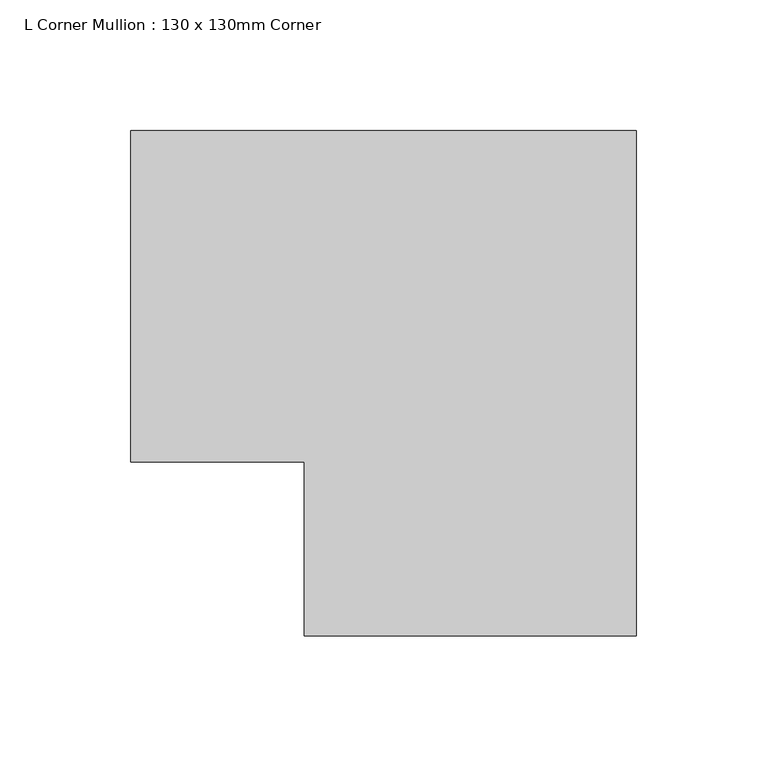
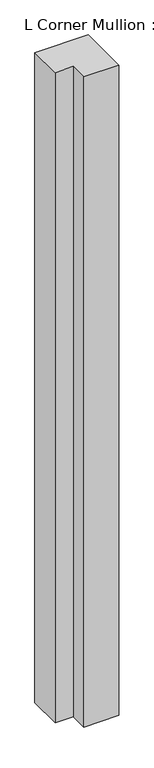
"""IFC4 building model written with IfcOpenShell, lengths in millimetres: member geometry, L Corner Mullion : 130 x 130mm Corner."""

from ifc_helpers import new_model, si_unit, frame, origin, place, context, project, spatial, polyline, outline, extrude, source, transform, mapped, element, save


def l_corner_mullion_130_x_130mm_corner_adbbe95d(model_context):
    return source(origin(), model_context, "Body", "SweptSolid", [
        extrude(outline(polyline([(-63.5, -130.0), (-63.5, -63.5), (-130.0, -63.5), (-130.0, 63.5), (63.5, 63.5), (63.5, -130.0), (-63.5, -130.0)])), frame((0.0, 0.0, -2500.0), z_axis=(0.0, 0.0, 1.0), x_axis=(1.0, 0.0, 0.0)), (0.0, 0.0, 1.0), 2500.0),
    ])


if __name__ == "__main__":
    model = new_model("IFC4")
    model_context = context("Model", 3, world=origin())
    ifc_project = project(units=[si_unit("LENGTHUNIT", "METRE", prefix="MILLI")], contexts=[model_context])
    site = spatial("IfcSite", under=ifc_project)
    building = spatial("IfcBuilding", under=site)
    placement = place(None, origin())
    l_corner_mullion_130_x_130mm_corner_shape = l_corner_mullion_130_x_130mm_corner_adbbe95d(model_context)
    element("IfcMember", 1, ObjectType="L Corner Mullion : 130 x 130mm Corner", at=placement, inside=building, context=model_context, shape_type="MappedRepresentation", body=[
        mapped(l_corner_mullion_130_x_130mm_corner_shape, transform((0.0, 0.0, 0.0), x_axis=(1.0, 0.0, 0.0), y_axis=(0.0, 1.0, 0.0), z_axis=(0.0, 0.0, 1.0))),
    ])
    save(model, "model.ifc")
